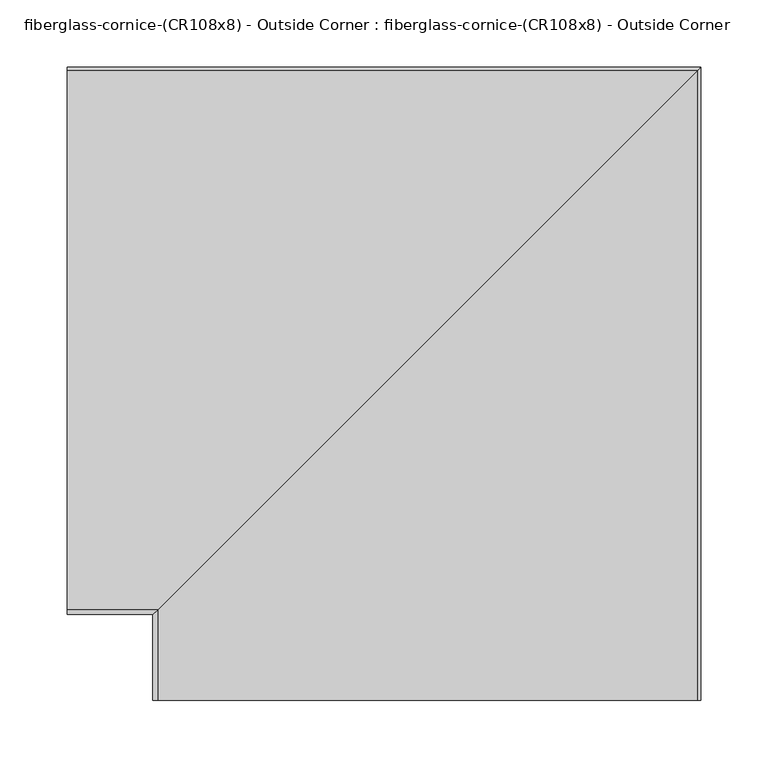
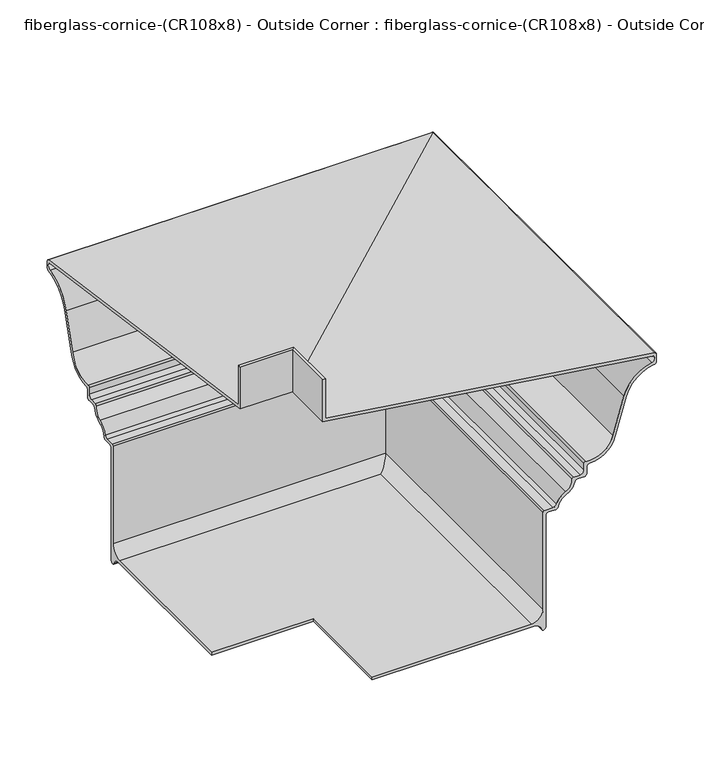
"""IFC4 building model written with IfcOpenShell, lengths in millimetres: furniture geometry, fiberglass-cornice-(CR108x8) - Outside Corner : fiberglass-cornice-(CR108x8) - Outside Corner."""

from ifc_helpers import new_model, si_unit, frame, origin, place, context, project, spatial, polyline, circle_curve, ellipse_curve, source, transform, mapped, element, save
from ifc_brep_helpers import plane_surface, cylinder_surface, revolved_surface, advanced_brep


def fiberglass_cornice_cr108x8_outside_corner_fiberglass_cornice_24d4b62f(model_context):
    return source(origin(), model_context, "Body", "AdvancedBrep", [
        advanced_brep(
        [(-196.9488213, 105.0923553, 330.0957121), (-196.9488213, 105.0923553, 279.4513144), (-196.9488213, 505.8077248, 223.1344666), (-196.9488213, 508.2228546, 220.0517369), (-196.9488213, 508.2228867, 211.6295733), (-196.9488213, 505.4875065, 208.4851622), (-196.9488213, 471.5845049, 179.5693198), (-196.9488213, 458.3935877, 133.7587686), (-196.9488213, 426.4767098, 108.8040813), (-196.9488213, 423.2795921, 105.5911434), (-196.9488213, 423.2795921, 97.284127), (-196.9488213, 420.1043645, 94.1091241), (-196.9488213, 411.7992574, 94.1091217), (-196.9488213, 408.6723568, 91.5065503), (-196.9488213, 398.7407101, 79.0597575), (-196.9488213, 388.5612513, 66.4029603), (-196.9488213, 385.4478907, 63.8505439), (-196.9488213, 376.5607546, 63.8505407), (-196.9488213, 373.3814446, 60.7132738), (-196.9488213, 373.3814446, -82.8819321), (-196.9488213, 370.6001006, -86.0324059), (-196.9488213, 367.9263679, -83.7006969), (-196.9488213, 358.6889184, -76.9291185), (-196.9488213, 161.8765083, -76.9291185), (-196.9488213, 161.8765083, -73.4366185), (-196.9488213, 355.9187204, -73.4366185), (-196.9488213, 369.8886124, -59.5215493), (-196.9488213, 369.8886124, 65.4380508), (-196.9488213, 371.7937204, 67.3430439), (-196.9488213, 381.8565071, 67.343045), (-196.9488213, 386.0299801, 70.2497063), (-196.9488213, 397.3521528, 82.2643918), (-196.9488213, 405.4178055, 95.5527593), (-196.9488213, 407.3173654, 97.6016241), (-196.9488213, 415.337725, 97.6016261), (-196.9488213, 419.7867599, 102.0161337), (-196.9488213, 419.7867599, 110.7988842), (-196.9488213, 421.9999188, 112.67881), (-196.9488213, 455.0157476, 134.6498182), (-196.9488213, 468.2379543, 180.5686863), (-196.9488213, 502.679357, 211.5566345), (-196.9488213, 502.3849709, 220.0886338), (-196.9488213, 101.6, 276.415322), (-196.9488213, 101.6, 330.1999904), (-129.8572472, 38.0007813, 330.0957121), (-133.3496026, 38.0007813, 330.1999904), (-133.3496026, 38.0007813, 276.415322), (267.4353683, 38.0007813, 220.0886338), (267.7297544, 38.0007813, 211.5566345), (233.2883517, 38.0007813, 180.5686863), (220.066145, 38.0007813, 134.6498182), (187.0503162, 38.0007813, 112.67881), (184.8372619, 38.0007813, 110.7988824), (184.8371574, 38.0007813, 102.0161337), (180.3881224, 38.0007813, 97.6016261), (172.3678657, 38.0007813, 97.6016261), (170.4682029, 38.0007813, 95.5527593), (162.4025502, 38.0007813, 82.2643918), (151.0803775, 38.0007813, 70.2497063), (146.9069045, 38.0007813, 67.343045), (136.8439742, 38.0007813, 67.343045), (134.9391178, 38.0007813, 65.4380439), (134.9390098, 38.0007813, -59.5215493), (120.9691178, 38.0007813, -73.4366185), (-73.0730943, 38.0007813, -73.4366185), (-73.0730943, 38.0007813, -76.9291185), (123.7393158, 38.0007813, -76.9291185), (132.9767653, 38.0007813, -83.7006969), (135.650498, 38.0007813, -86.0324059), (138.4316178, 38.0007813, -82.8819323), (138.431842, 38.0007813, 60.7132738), (141.611152, 38.0007813, 63.8505407), (150.4982062, 38.0007813, 63.8505407), (153.6116487, 38.0007813, 66.4029603), (163.7911075, 38.0007813, 79.0597575), (173.7227542, 38.0007813, 91.5065503), (176.8496548, 38.0007813, 94.1091217), (185.1547309, 38.0007813, 94.1091217), (188.3297619, 38.0007813, 97.2841241), (188.3299895, 38.0007813, 105.5911434), (191.5271072, 38.0007813, 108.8040813), (223.4439851, 38.0007813, 133.7587686), (236.6349023, 38.0007813, 179.5693198), (270.5379039, 38.0007813, 208.4851622), (273.273252, 38.0007813, 211.6295749), (273.2732841, 38.0007813, 220.0517394), (270.8581222, 38.0007813, 223.1344666), (-129.8572472, 38.0007813, 279.4513144), (-129.8572472, 105.0923553, 330.0957121), (-129.8572472, 105.0923553, 279.4513144), (270.8581222, 505.8077248, 223.1344666), (273.273252, 508.2228546, 220.0517369), (273.2732841, 508.2228867, 211.6295733), (270.5379039, 505.4875065, 208.4851622), (236.6349023, 471.5845049, 179.5693198), (223.4439851, 458.3935877, 133.7587686), (191.5271072, 426.4767098, 108.8040813), (188.3299895, 423.2795921, 105.5911434), (188.3299895, 423.2795921, 97.284127), (185.1547619, 420.1043645, 94.1091241), (176.8496548, 411.7992574, 94.1091217), (173.7227542, 408.6723568, 91.5065503), (163.7911075, 398.7407101, 79.0597575), (153.6116487, 388.5612513, 66.4029603), (150.4982881, 385.4478907, 63.8505439), (141.611152, 376.5607546, 63.8505407), (138.431842, 373.3814446, 60.7132738), (138.431842, 373.3814446, -82.8819321), (135.650498, 370.6001006, -86.0324059), (132.9767653, 367.9263679, -83.7006969), (123.7393158, 358.6889184, -76.9291185), (-73.0730943, 161.8765083, -76.9291185), (-73.0730943, 161.8765083, -73.4366185), (120.9691178, 355.9187204, -73.4366185), (134.9390098, 369.8886124, -59.5215493), (134.9390098, 369.8886124, 65.4380508), (136.8441178, 371.7937204, 67.3430439), (146.9069045, 381.8565071, 67.343045), (151.0803775, 386.0299801, 70.2497063), (162.4025502, 397.3521528, 82.2643918), (170.4682029, 405.4178055, 95.5527593), (172.3677628, 407.3173654, 97.6016241), (180.3881224, 415.337725, 97.6016261), (184.8371574, 419.7867599, 102.0161337), (184.8371574, 419.7867599, 110.7988842), (187.0503162, 421.9999188, 112.67881), (220.066145, 455.0157476, 134.6498182), (233.2883517, 468.2379543, 180.5686863), (267.7297544, 502.679357, 211.5566345), (267.4353683, 502.3849709, 220.0886338), (-133.3496026, 101.6, 276.415322), (-133.3496026, 101.6, 330.1999904)],
        [
            (0, 1),
            (1, 2),
            (2, 3, circle_curve(frame((-196.9488213, 505.0478546, 220.0517369), z_axis=(-1.0, 0.0, 0.0), x_axis=(0.0, 1.0, 0.0)), 3.175)),
            (3, 4),
            (4, 5, circle_curve(frame((-196.9488213, 505.0478546, 211.6295749), z_axis=(-1.0, 0.0, 0.0), x_axis=(0.0, 1.0, 0.0)), 3.175)),
            (5, 6, circle_curve(frame((-196.9488213, 511.2292262, 167.4200865), z_axis=(1.0, 0.0, 0.0), x_axis=(0.0, 1.0, 0.0)), 41.4645366)),
            (6, 7),
            (7, 8, circle_curve(frame((-196.9488213, 426.7061127, 141.3987567), z_axis=(-1.0, 0.0, 0.0), x_axis=(0.0, 1.0, 0.0)), 32.5954827)),
            (8, 9, circle_curve(frame((-196.9488213, 426.4543645, 105.6291599), z_axis=(1.0, 0.0, 0.0), x_axis=(0.0, 1.0, 0.0)), 3.175)),
            (9, 10),
            (10, 11, circle_curve(frame((-196.9488213, 420.1043645, 97.2841241), z_axis=(-1.0, 0.0, 0.0), x_axis=(0.0, 1.0, 0.0)), 3.175)),
            (11, 12),
            (12, 13, circle_curve(frame((-196.9488213, 411.7953286, 90.9341241), z_axis=(1.0, 0.0, 0.0), x_axis=(0.0, 1.0, 0.0)), 3.175)),
            (13, 14, circle_curve(frame((-196.9488213, 392.1002409, 94.5441417), z_axis=(-1.0, 0.0, 0.0), x_axis=(0.0, 1.0, 0.0)), 16.8482042)),
            (14, 15, circle_curve(frame((-196.9488213, 405.8075943, 62.9541819), z_axis=(1.0, 0.0, 0.0), x_axis=(0.0, 1.0, 0.0)), 17.5877917)),
            (15, 16, circle_curve(frame((-196.9488213, 385.4478907, 67.0255439), z_axis=(-1.0, 0.0, 0.0), x_axis=(0.0, 1.0, 0.0)), 3.175)),
            (16, 17),
            (17, 18, circle_curve(frame((-196.9488213, 376.5562204, 60.6755439), z_axis=(1.0, 0.0, 0.0), x_axis=(0.0, 1.0, 0.0)), 3.175)),
            (18, 19),
            (19, 20, circle_curve(frame((-196.9488213, 370.2062204, -82.8819323), z_axis=(-1.0, 0.0, 0.0), x_axis=(0.0, 1.0, 0.0)), 3.175)),
            (20, 21, circle_curve(frame((-196.9488213, 370.9939809, -82.8819323), z_axis=(-1.0, 0.0, 0.0), x_axis=(0.0, 1.0, 0.0)), 3.175)),
            (21, 22, circle_curve(frame((-196.9488213, 359.0984109, -86.0569323), z_axis=(1.0, 0.0, 0.0), x_axis=(0.0, 1.0, 0.0)), 9.1369946)),
            (22, 23),
            (23, 24),
            (24, 25),
            (25, 26, circle_curve(frame((-196.9488213, 355.9187204, -59.4666185), z_axis=(1.0, 0.0, 0.0), x_axis=(0.0, 1.0, 0.0)), 13.97)),
            (26, 27),
            (27, 28, circle_curve(frame((-196.9488213, 371.7937204, 65.4380439), z_axis=(-1.0, 0.0, 0.0), x_axis=(0.0, 1.0, 0.0)), 1.905)),
            (28, 29),
            (29, 30, circle_curve(frame((-196.9488213, 381.8596633, 71.7880439), z_axis=(1.0, 0.0, 0.0), x_axis=(0.0, 1.0, 0.0)), 4.445)),
            (30, 31, circle_curve(frame((-196.9488213, 405.8075943, 62.9541819), z_axis=(-1.0, 0.0, 0.0), x_axis=(0.0, 1.0, 0.0)), 21.0802917)),
            (31, 32, circle_curve(frame((-196.9488213, 392.1002409, 94.5441417), z_axis=(1.0, 0.0, 0.0), x_axis=(0.0, 1.0, 0.0)), 13.3557042)),
            (32, 33, circle_curve(frame((-196.9488213, 407.3173654, 95.6966241), z_axis=(-1.0, 0.0, 0.0), x_axis=(0.0, 1.0, 0.0)), 1.905)),
            (33, 34),
            (34, 35, circle_curve(frame((-196.9488213, 415.3418645, 102.0466241), z_axis=(1.0, 0.0, 0.0), x_axis=(0.0, 1.0, 0.0)), 4.445)),
            (35, 36),
            (36, 37, circle_curve(frame((-196.9488213, 421.6918645, 110.7988824), z_axis=(-1.0, 0.0, 0.0), x_axis=(0.0, 1.0, 0.0)), 1.905)),
            (37, 38, circle_curve(frame((-196.9488213, 426.7061127, 141.3987567), z_axis=(1.0, 0.0, 0.0), x_axis=(0.0, 1.0, 0.0)), 29.1029827)),
            (38, 39),
            (39, 40, circle_curve(frame((-196.9488213, 511.2292262, 167.4200865), z_axis=(-1.0, 0.0, 0.0), x_axis=(0.0, 1.0, 0.0)), 44.9570366)),
            (40, 41, circle_curve(frame((-196.9488213, 501.8196187, 215.7980486), z_axis=(1.0, 0.0, 0.0), x_axis=(0.0, 1.0, 0.0)), 4.3276719)),
            (41, 42),
            (42, 43),
            (43, 0),
            (44, 45),
            (45, 46),
            (46, 47),
            (47, 48, circle_curve(frame((266.8700161, 38.0007813, 215.7980486), z_axis=(0.0, 1.0, 0.0), x_axis=(1.0, 0.0, 0.0)), 4.3276719)),
            (48, 49, circle_curve(frame((276.2796236, 38.0007813, 167.4200865), z_axis=(0.0, -1.0, 0.0), x_axis=(1.0, 0.0, 0.0)), 44.9570366)),
            (49, 50),
            (50, 51, circle_curve(frame((191.7565101, 38.0007813, 141.3987567), z_axis=(0.0, 1.0, 0.0), x_axis=(1.0, 0.0, 0.0)), 29.1029827)),
            (51, 52, circle_curve(frame((186.7422619, 38.0007813, 110.7988824), z_axis=(0.0, -1.0, 0.0), x_axis=(1.0, 0.0, 0.0)), 1.905)),
            (52, 53),
            (53, 54, circle_curve(frame((180.3922619, 38.0007813, 102.0466241), z_axis=(0.0, 1.0, 0.0), x_axis=(1.0, 0.0, 0.0)), 4.445)),
            (54, 55),
            (55, 56, circle_curve(frame((172.3677628, 38.0007813, 95.6966241), z_axis=(0.0, -1.0, 0.0), x_axis=(1.0, 0.0, 0.0)), 1.905)),
            (56, 57, circle_curve(frame((157.1506383, 38.0007813, 94.5441417), z_axis=(0.0, 1.0, 0.0), x_axis=(1.0, 0.0, 0.0)), 13.3557042)),
            (57, 58, circle_curve(frame((170.8579917, 38.0007813, 62.9541819), z_axis=(0.0, -1.0, 0.0), x_axis=(1.0, 0.0, 0.0)), 21.0802917)),
            (58, 59, circle_curve(frame((146.9100607, 38.0007813, 71.7880439), z_axis=(0.0, 1.0, 0.0), x_axis=(1.0, 0.0, 0.0)), 4.445)),
            (59, 60),
            (60, 61, circle_curve(frame((136.8441178, 38.0007813, 65.4380439), z_axis=(0.0, -1.0, 0.0), x_axis=(1.0, 0.0, 0.0)), 1.905)),
            (61, 62),
            (62, 63, circle_curve(frame((120.9691178, 38.0007813, -59.4666185), z_axis=(0.0, 1.0, 0.0), x_axis=(1.0, 0.0, 0.0)), 13.97)),
            (63, 64),
            (64, 65),
            (65, 66),
            (66, 67, circle_curve(frame((124.1488083, 38.0007813, -86.0569323), z_axis=(0.0, 1.0, 0.0), x_axis=(1.0, 0.0, 0.0)), 9.1369946)),
            (67, 68, circle_curve(frame((136.0443783, 38.0007813, -82.8819323), z_axis=(0.0, -1.0, 0.0), x_axis=(1.0, 0.0, 0.0)), 3.175)),
            (68, 69, circle_curve(frame((135.2566178, 38.0007813, -82.8819323), z_axis=(0.0, -1.0, 0.0), x_axis=(1.0, 0.0, 0.0)), 3.175)),
            (69, 70),
            (70, 71, circle_curve(frame((141.6066178, 38.0007813, 60.6755439), z_axis=(0.0, 1.0, 0.0), x_axis=(1.0, 0.0, 0.0)), 3.175)),
            (71, 72),
            (72, 73, circle_curve(frame((150.4982881, 38.0007813, 67.0255439), z_axis=(0.0, -1.0, 0.0), x_axis=(1.0, 0.0, 0.0)), 3.175)),
            (73, 74, circle_curve(frame((170.8579917, 38.0007813, 62.9541819), z_axis=(0.0, 1.0, 0.0), x_axis=(1.0, 0.0, 0.0)), 17.5877917)),
            (74, 75, circle_curve(frame((157.1506383, 38.0007813, 94.5441417), z_axis=(0.0, -1.0, 0.0), x_axis=(1.0, 0.0, 0.0)), 16.8482042)),
            (75, 76, circle_curve(frame((176.845726, 38.0007813, 90.9341241), z_axis=(0.0, 1.0, 0.0), x_axis=(1.0, 0.0, 0.0)), 3.175)),
            (76, 77),
            (77, 78, circle_curve(frame((185.1547619, 38.0007813, 97.2841241), z_axis=(0.0, -1.0, 0.0), x_axis=(1.0, 0.0, 0.0)), 3.175)),
            (78, 79),
            (79, 80, circle_curve(frame((191.5047619, 38.0007813, 105.6291599), z_axis=(0.0, 1.0, 0.0), x_axis=(1.0, 0.0, 0.0)), 3.175)),
            (80, 81, circle_curve(frame((191.7565101, 38.0007813, 141.3987567), z_axis=(0.0, -1.0, 0.0), x_axis=(1.0, 0.0, 0.0)), 32.5954827)),
            (81, 82),
            (82, 83, circle_curve(frame((276.2796236, 38.0007813, 167.4200865), z_axis=(0.0, 1.0, 0.0), x_axis=(1.0, 0.0, 0.0)), 41.4645366)),
            (83, 84, circle_curve(frame((270.098252, 38.0007813, 211.6295749), z_axis=(0.0, -1.0, 0.0), x_axis=(1.0, 0.0, 0.0)), 3.175)),
            (84, 85),
            (85, 86, circle_curve(frame((270.098252, 38.0007813, 220.0517369), z_axis=(0.0, -1.0, 0.0), x_axis=(1.0, 0.0, 0.0)), 3.175)),
            (86, 87),
            (87, 44),
            (0, 88),
            (88, 89),
            (89, 1),
            (89, 90),
            (90, 2),
            (90, 91, ellipse_curve(frame((270.098252, 505.0478546, 220.0517369), z_axis=(-0.7071067811865563, 0.7071067811865387, 0.0), x_axis=(-0.7071067811865387, -0.7071067811865565, 0.0)), 4.4901281, 3.175)),
            (91, 3),
            (91, 92),
            (92, 4),
            (92, 93, ellipse_curve(frame((270.098252, 505.0478546, 211.6295749), z_axis=(-0.7071067811865563, 0.7071067811865387, 0.0), x_axis=(-0.7071067811865387, -0.7071067811865565, 0.0)), 4.4901281, 3.175)),
            (93, 5),
            (93, 94, ellipse_curve(frame((276.2796236, 511.2292262, 167.4200865), z_axis=(0.7071067811865563, -0.7071067811865387, 0.0), x_axis=(0.7071067811865387, 0.7071067811865565, 0.0)), 58.63971, 41.4645366)),
            (94, 6),
            (94, 95),
            (95, 7),
            (95, 96, ellipse_curve(frame((191.7565101, 426.7061127, 141.3987567), z_axis=(-0.7071067811865563, 0.7071067811865387, 0.0), x_axis=(-0.7071067811865387, -0.7071067811865565, 0.0)), 46.0969737, 32.5954827)),
            (96, 8),
            (96, 97, ellipse_curve(frame((191.5047619, 426.4543645, 105.6291599), z_axis=(0.7071067811865563, -0.7071067811865387, 0.0), x_axis=(0.7071067811865387, 0.7071067811865565, 0.0)), 4.4901281, 3.175)),
            (97, 9),
            (97, 98),
            (98, 10),
            (98, 99, ellipse_curve(frame((185.1547619, 420.1043645, 97.2841241), z_axis=(-0.7071067811865563, 0.7071067811865387, 0.0), x_axis=(-0.7071067811865387, -0.7071067811865565, 0.0)), 4.4901281, 3.175)),
            (99, 11),
            (99, 77),
            (76, 100),
            (100, 12),
            (100, 101, ellipse_curve(frame((176.845726, 411.7953286, 90.9341241), z_axis=(0.7071067811865563, -0.7071067811865387, 0.0), x_axis=(0.7071067811865387, 0.7071067811865565, 0.0)), 4.4901281, 3.175)),
            (101, 13),
            (101, 102, ellipse_curve(frame((157.1506383, 392.1002409, 94.5441417), z_axis=(-0.7071067811865563, 0.7071067811865387, 0.0), x_axis=(-0.7071067811865387, -0.7071067811865565, 0.0)), 23.8269589, 16.8482042)),
            (102, 14),
            (102, 103, ellipse_curve(frame((170.8579917, 405.8075943, 62.9541819), z_axis=(0.7071067811865563, -0.7071067811865387, 0.0), x_axis=(0.7071067811865387, 0.7071067811865565, 0.0)), 24.8728936, 17.5877917)),
            (103, 15),
            (103, 104, ellipse_curve(frame((150.4982881, 385.4478907, 67.0255439), z_axis=(-0.7071067811865563, 0.7071067811865387, 0.0), x_axis=(-0.7071067811865387, -0.7071067811865565, 0.0)), 4.4901281, 3.175)),
            (104, 16),
            (104, 72),
            (71, 105),
            (105, 17),
            (105, 106, ellipse_curve(frame((141.6066178, 376.5562204, 60.6755439), z_axis=(0.7071067811865563, -0.7071067811865387, 0.0), x_axis=(0.7071067811865387, 0.7071067811865565, 0.0)), 4.4901281, 3.175)),
            (106, 18),
            (106, 107),
            (107, 19),
            (107, 108, ellipse_curve(frame((135.2566178, 370.2062204, -82.8819323), z_axis=(-0.7071067811865563, 0.7071067811865387, 0.0), x_axis=(-0.7071067811865387, -0.7071067811865565, 0.0)), 4.4901281, 3.175)),
            (108, 20),
            (108, 109, ellipse_curve(frame((136.0443783, 370.9939809, -82.8819323), z_axis=(-0.7071067811865563, 0.7071067811865387, 0.0), x_axis=(-0.7071067811865387, -0.7071067811865565, 0.0)), 4.4901281, 3.175)),
            (109, 21),
            (109, 110, ellipse_curve(frame((124.1488083, 359.0984109, -86.0569323), z_axis=(0.7071067811865563, -0.7071067811865387, 0.0), x_axis=(0.7071067811865387, 0.7071067811865565, 0.0)), 12.9216617, 9.1369946)),
            (110, 22),
            (110, 66),
            (65, 111),
            (111, 23),
            (111, 112),
            (112, 24),
            (112, 64),
            (63, 113),
            (113, 25),
            (113, 114, ellipse_curve(frame((120.9691178, 355.9187204, -59.4666185), z_axis=(0.7071067811865563, -0.7071067811865387, 0.0), x_axis=(0.7071067811865387, 0.7071067811865565, 0.0)), 19.7565635, 13.97)),
            (114, 26),
            (114, 115),
            (115, 27),
            (115, 116, ellipse_curve(frame((136.8441178, 371.7937204, 65.4380439), z_axis=(-0.7071067811865563, 0.7071067811865387, 0.0), x_axis=(-0.7071067811865387, -0.7071067811865565, 0.0)), 2.6940768, 1.905)),
            (116, 28),
            (116, 60),
            (59, 117),
            (117, 29),
            (117, 118, ellipse_curve(frame((146.9100607, 381.8596633, 71.7880439), z_axis=(0.7071067811865563, -0.7071067811865387, 0.0), x_axis=(0.7071067811865387, 0.7071067811865565, 0.0)), 6.2861793, 4.445)),
            (118, 30),
            (118, 119, ellipse_curve(frame((170.8579917, 405.8075943, 62.9541819), z_axis=(-0.7071067811865563, 0.7071067811865387, 0.0), x_axis=(-0.7071067811865387, -0.7071067811865565, 0.0)), 29.8120345, 21.0802917)),
            (119, 31),
            (119, 120, ellipse_curve(frame((157.1506383, 392.1002409, 94.5441417), z_axis=(0.7071067811865563, -0.7071067811865387, 0.0), x_axis=(0.7071067811865387, 0.7071067811865565, 0.0)), 18.887818, 13.3557042)),
            (120, 32),
            (120, 121, ellipse_curve(frame((172.3677628, 407.3173654, 95.6966241), z_axis=(-0.7071067811865563, 0.7071067811865387, 0.0), x_axis=(-0.7071067811865387, -0.7071067811865565, 0.0)), 2.6940768, 1.905)),
            (121, 33),
            (121, 55),
            (54, 122),
            (122, 34),
            (122, 123, ellipse_curve(frame((180.3922619, 415.3418645, 102.0466241), z_axis=(0.7071067811865563, -0.7071067811865387, 0.0), x_axis=(0.7071067811865387, 0.7071067811865565, 0.0)), 6.2861793, 4.445)),
            (123, 35),
            (123, 124),
            (124, 36),
            (124, 125, ellipse_curve(frame((186.7422619, 421.6918645, 110.7988824), z_axis=(-0.7071067811865563, 0.7071067811865387, 0.0), x_axis=(-0.7071067811865387, -0.7071067811865565, 0.0)), 2.6940768, 1.905)),
            (125, 37),
            (125, 126, ellipse_curve(frame((191.7565101, 426.7061127, 141.3987567), z_axis=(0.7071067811865563, -0.7071067811865387, 0.0), x_axis=(0.7071067811865387, 0.7071067811865565, 0.0)), 41.1578328, 29.1029827)),
            (126, 38),
            (126, 127),
            (127, 39),
            (127, 128, ellipse_curve(frame((276.2796236, 511.2292262, 167.4200865), z_axis=(-0.7071067811865563, 0.7071067811865387, 0.0), x_axis=(-0.7071067811865387, -0.7071067811865565, 0.0)), 63.5788508, 44.9570366)),
            (128, 40),
            (128, 129, ellipse_curve(frame((266.8700161, 501.8196187, 215.7980486), z_axis=(0.7071067811865563, -0.7071067811865387, 0.0), x_axis=(0.7071067811865387, 0.7071067811865565, 0.0)), 6.1202523, 4.3276719)),
            (129, 41),
            (129, 130),
            (130, 42),
            (130, 131),
            (131, 43),
            (131, 88),
            (88, 44),
            (87, 89),
            (86, 90),
            (85, 91),
            (84, 92),
            (83, 93),
            (82, 94),
            (81, 95),
            (80, 96),
            (79, 97),
            (78, 98),
            (75, 101),
            (74, 102),
            (73, 103),
            (70, 106),
            (69, 107),
            (68, 108),
            (67, 109),
            (62, 114),
            (61, 115),
            (58, 118),
            (57, 119),
            (56, 120),
            (53, 123),
            (52, 124),
            (51, 125),
            (50, 126),
            (49, 127),
            (48, 128),
            (47, 129),
            (46, 130),
            (45, 131),
        ],
        [
            plane_surface(frame((-196.9488213, 101.6, 330.1999904), z_axis=(-1.0, 0.0, 0.0), x_axis=(0.0, 0.0, 1.0))),
            plane_surface(frame((-133.3496026, 38.0007813, 330.1999904), z_axis=(0.0, -1.0, 0.0), x_axis=(0.0, 0.0, 1.0))),
            plane_surface(frame((-196.9488213, 105.0923553, 330.0957121), z_axis=(0.0, 1.0, 0.0), x_axis=(1.0, 0.0, 0.0))),
            plane_surface(frame((-196.9488213, 105.0923553, 279.4513144), z_axis=(0.0, 0.13917304094940408, 0.9902680771755169), x_axis=(1.0, 0.0, 0.0))),
            cylinder_surface(frame((-196.9488213, 505.0478546, 220.0517369), z_axis=(-1.0, 0.0, 0.0), x_axis=(0.0, 1.0, 0.0)), 3.175),
            plane_surface(frame((-196.9488213, 508.2228867, 220.0517394), z_axis=(0.0, 1.0, 0.0), x_axis=(1.0, 0.0, 0.0))),
            cylinder_surface(frame((-196.9488213, 505.0478546, 211.6295749), z_axis=(-1.0, 0.0, 0.0), x_axis=(0.0, 1.0, 0.0)), 3.175),
            revolved_surface(polyline([(317.7441601878121, 552.6937628000001, 167.4200865), (-196.9488213, 552.6937628000001, 167.4200865)]), (-196.9488213, 511.2292262, 167.4200865), (1.0, 0.0, 0.0)),
            plane_surface(frame((-196.9488213, 471.5845049, 179.5693198), z_axis=(0.0, 0.960955677207526, -0.2767023426764312), x_axis=(1.0, 0.0, 0.0))),
            cylinder_surface(frame((-196.9488213, 426.7061127, 141.3987567), z_axis=(-1.0, 0.0, 0.0), x_axis=(0.0, 1.0, 0.0)), 32.5954827),
            revolved_surface(polyline([(194.67976192790624, 429.6293645, 105.6291599), (-196.9488213, 429.6293645, 105.6291599)]), (-196.9488213, 426.4543645, 105.6291599), (1.0, 0.0, 0.0)),
            plane_surface(frame((-196.9488213, 423.2795921, 105.5911434), z_axis=(0.0, 1.0, 0.0), x_axis=(1.0, 0.0, 0.0))),
            cylinder_surface(frame((-196.9488213, 420.1043645, 97.2841241), z_axis=(-1.0, 0.0, 0.0), x_axis=(0.0, 1.0, 0.0)), 3.175),
            plane_surface(frame((-196.9488213, 420.1043335, 94.1091217), z_axis=(0.0, 0.0, -1.0), x_axis=(1.0, 0.0, 0.0))),
            revolved_surface(polyline([(180.0207260279062, 414.9703286, 90.9341241), (-196.9488213, 414.9703286, 90.9341241)]), (-196.9488213, 411.7953286, 90.9341241), (1.0, 0.0, 0.0)),
            cylinder_surface(frame((-196.9488213, 392.1002409, 94.5441417), z_axis=(-1.0, 0.0, 0.0), x_axis=(0.0, 1.0, 0.0)), 16.8482042),
            revolved_surface(polyline([(188.44578343229128, 423.39538600000003, 62.9541819), (-196.9488213, 423.39538600000003, 62.9541819)]), (-196.9488213, 405.8075943, 62.9541819), (1.0, 0.0, 0.0)),
            cylinder_surface(frame((-196.9488213, 385.4478907, 67.0255439), z_axis=(-1.0, 0.0, 0.0), x_axis=(0.0, 1.0, 0.0)), 3.175),
            plane_surface(frame((-196.9488213, 385.4478088, 63.8505407), z_axis=(0.0, 0.0, -1.0), x_axis=(1.0, 0.0, 0.0))),
            revolved_surface(polyline([(144.78161782790622, 379.7312204, 60.6755439), (-196.9488213, 379.7312204, 60.6755439)]), (-196.9488213, 376.5562204, 60.6755439), (1.0, 0.0, 0.0)),
            plane_surface(frame((-196.9488213, 373.3814446, 60.7132738), z_axis=(0.0, 1.0, 0.0), x_axis=(1.0, 0.0, 0.0))),
            cylinder_surface(frame((-196.9488213, 370.2062204, -82.8819323), z_axis=(-1.0, 0.0, 0.0), x_axis=(0.0, 1.0, 0.0)), 3.175),
            cylinder_surface(frame((-196.9488213, 370.9939809, -82.8819323), z_axis=(-1.0, 0.0, 0.0), x_axis=(0.0, 1.0, 0.0)), 3.175),
            revolved_surface(polyline([(133.2858029122684, 368.23540549999996, -86.0569323), (-196.9488213, 368.23540549999996, -86.0569323)]), (-196.9488213, 359.0984109, -86.0569323), (1.0, 0.0, 0.0)),
            plane_surface(frame((-196.9488213, 358.6889184, -76.9291185), z_axis=(0.0, 0.0, -1.0), x_axis=(1.0, 0.0, 0.0))),
            plane_surface(frame((-196.9488213, 161.8765083, -76.9291185), z_axis=(0.0, -1.0, 0.0), x_axis=(1.0, 0.0, 0.0))),
            plane_surface(frame((-196.9488213, 161.8765083, -73.4366185), z_axis=(0.0, 0.0, 1.0), x_axis=(1.0, 0.0, 0.0))),
            revolved_surface(polyline([(134.9391178237925, 369.8887204, -59.4666185), (-196.9488213, 369.8887204, -59.4666185)]), (-196.9488213, 355.9187204, -59.4666185), (1.0, 0.0, 0.0)),
            plane_surface(frame((-196.9488213, 369.8886124, -59.5215493), z_axis=(0.0, -1.0, 0.0), x_axis=(1.0, 0.0, 0.0))),
            cylinder_surface(frame((-196.9488213, 371.7937204, 65.4380439), z_axis=(-1.0, 0.0, 0.0), x_axis=(0.0, 1.0, 0.0)), 1.905),
            plane_surface(frame((-196.9488213, 371.7935768, 67.343045), z_axis=(0.0, 0.0, 1.0), x_axis=(1.0, 0.0, 0.0))),
            revolved_surface(polyline([(151.35506071078444, 386.3046633, 71.7880439), (-196.9488213, 386.3046633, 71.7880439)]), (-196.9488213, 381.8596633, 71.7880439), (1.0, 0.0, 0.0)),
            cylinder_surface(frame((-196.9488213, 405.8075943, 62.9541819), z_axis=(-1.0, 0.0, 0.0), x_axis=(0.0, 1.0, 0.0)), 21.0802917),
            revolved_surface(polyline([(170.50634248961714, 405.4559451, 94.5441417), (-196.9488213, 405.4559451, 94.5441417)]), (-196.9488213, 392.1002409, 94.5441417), (1.0, 0.0, 0.0)),
            cylinder_surface(frame((-196.9488213, 407.3173654, 95.6966241), z_axis=(-1.0, 0.0, 0.0), x_axis=(0.0, 1.0, 0.0)), 1.905),
            plane_surface(frame((-196.9488213, 407.3174683, 97.6016261), z_axis=(0.0, 0.0, 1.0), x_axis=(1.0, 0.0, 0.0))),
            revolved_surface(polyline([(184.8372619107844, 419.7868645, 102.0466241), (-196.9488213, 419.7868645, 102.0466241)]), (-196.9488213, 415.3418645, 102.0466241), (1.0, 0.0, 0.0)),
            plane_surface(frame((-196.9488213, 419.7867599, 102.0161337), z_axis=(0.0, -1.0, 0.0), x_axis=(1.0, 0.0, 0.0))),
            cylinder_surface(frame((-196.9488213, 421.6918645, 110.7988824), z_axis=(-1.0, 0.0, 0.0), x_axis=(0.0, 1.0, 0.0)), 1.905),
            revolved_surface(polyline([(220.85949277182172, 455.8090954, 141.3987567), (-196.9488213, 455.8090954, 141.3987567)]), (-196.9488213, 426.7061127, 141.3987567), (1.0, 0.0, 0.0)),
            plane_surface(frame((-196.9488213, 455.0157476, 134.6498182), z_axis=(0.0, -0.960955120051551, 0.2767042776082603), x_axis=(1.0, 0.0, 0.0))),
            cylinder_surface(frame((-196.9488213, 511.2292262, 167.4200865), z_axis=(-1.0, 0.0, 0.0), x_axis=(0.0, 1.0, 0.0)), 44.9570366),
            revolved_surface(polyline([(271.1976880039025, 506.14729059999996, 215.7980486), (-196.9488213, 506.14729059999996, 215.7980486)]), (-196.9488213, 501.8196187, 215.7980486), (1.0, 0.0, 0.0)),
            plane_surface(frame((-196.9488213, 502.3849709, 220.0886338), z_axis=(0.0, -0.13917318298142237, -0.9902680572142168), x_axis=(1.0, 0.0, 0.0))),
            plane_surface(frame((-196.9488213, 101.6, 276.415322), z_axis=(0.0, -1.0, 0.0), x_axis=(1.0, 0.0, 0.0))),
            plane_surface(frame((-196.9488213, 101.6, 330.1999904), z_axis=(0.0, 0.02984572344004767, 0.9995545171686936), x_axis=(1.0, 0.0, 0.0))),
            plane_surface(frame((-129.8572472, 105.0923553, 330.0957121), z_axis=(1.0, 0.0, 0.0), x_axis=(0.0, -1.0, 0.0))),
            plane_surface(frame((-129.8572472, 105.0923553, 279.4513144), z_axis=(0.1391730409494041, 0.0, 0.9902680771755169), x_axis=(0.0, -1.0, 0.0))),
            cylinder_surface(frame((270.098252, 101.6, 220.0517369), z_axis=(0.0, 1.0, 0.0), x_axis=(1.0, 0.0, 0.0)), 3.175),
            plane_surface(frame((273.2732841, 508.2228867, 220.0517394), z_axis=(1.0, 0.0, 0.0), x_axis=(0.0, -1.0, 0.0))),
            cylinder_surface(frame((270.098252, 101.6, 211.6295749), z_axis=(0.0, 1.0, 0.0), x_axis=(1.0, 0.0, 0.0)), 3.175),
            revolved_surface(polyline([(317.7441602, 38.0007813, 167.4200865), (317.7441602, 552.6937627878132, 167.4200865)]), (276.2796236, 101.6, 167.4200865), (0.0, -1.0, 0.0)),
            plane_surface(frame((236.6349023, 471.5845049, 179.5693198), z_axis=(0.9609556772075261, 0.0, -0.2767023426764312), x_axis=(0.0, -1.0, 0.0))),
            cylinder_surface(frame((191.7565101, 101.6, 141.3987567), z_axis=(0.0, 1.0, 0.0), x_axis=(1.0, 0.0, 0.0)), 32.5954827),
            revolved_surface(polyline([(194.67976190000002, 38.0007813, 105.6291599), (194.67976190000002, 429.6293645279063, 105.6291599)]), (191.5047619, 101.6, 105.6291599), (0.0, -1.0, 0.0)),
            plane_surface(frame((188.3299895, 423.2795921, 105.5911434), z_axis=(1.0, 0.0, 0.0), x_axis=(0.0, -1.0, 0.0))),
            cylinder_surface(frame((185.1547619, 101.6, 97.2841241), z_axis=(0.0, 1.0, 0.0), x_axis=(1.0, 0.0, 0.0)), 3.175),
            revolved_surface(polyline([(180.02072600000002, 38.0007813, 90.9341241), (180.02072600000002, 414.9703286279064, 90.9341241)]), (176.845726, 101.6, 90.9341241), (0.0, -1.0, 0.0)),
            cylinder_surface(frame((157.1506383, 101.6, 94.5441417), z_axis=(0.0, 1.0, 0.0), x_axis=(1.0, 0.0, 0.0)), 16.8482042),
            revolved_surface(polyline([(188.4457834, 38.0007813, 62.9541819), (188.4457834, 423.39538603229164, 62.9541819)]), (170.8579917, 101.6, 62.9541819), (0.0, -1.0, 0.0)),
            cylinder_surface(frame((150.4982881, 101.6, 67.0255439), z_axis=(0.0, 1.0, 0.0), x_axis=(1.0, 0.0, 0.0)), 3.175),
            revolved_surface(polyline([(144.78161780000002, 38.0007813, 60.6755439), (144.78161780000002, 379.73122042790635, 60.6755439)]), (141.6066178, 101.6, 60.6755439), (0.0, -1.0, 0.0)),
            plane_surface(frame((138.431842, 373.3814446, 60.7132738), z_axis=(1.0, 0.0, 0.0), x_axis=(0.0, -1.0, 0.0))),
            cylinder_surface(frame((135.2566178, 101.6, -82.8819323), z_axis=(0.0, 1.0, 0.0), x_axis=(1.0, 0.0, 0.0)), 3.175),
            cylinder_surface(frame((136.0443783, 101.6, -82.8819323), z_axis=(0.0, 1.0, 0.0), x_axis=(1.0, 0.0, 0.0)), 3.175),
            revolved_surface(polyline([(133.2858029, 38.0007813, -86.0569323), (133.2858029, 368.2354055122686, -86.0569323)]), (124.1488083, 101.6, -86.0569323), (0.0, -1.0, 0.0)),
            plane_surface(frame((-73.0730943, 161.8765083, -76.9291185), z_axis=(-1.0, 0.0, 0.0), x_axis=(0.0, -1.0, 0.0))),
            revolved_surface(polyline([(134.93911780000002, 38.0007813, -59.4666185), (134.93911780000002, 369.88872042379285, -59.4666185)]), (120.9691178, 101.6, -59.4666185), (0.0, -1.0, 0.0)),
            plane_surface(frame((134.9390098, 369.8886124, -59.5215493), z_axis=(-1.0, 0.0, 0.0), x_axis=(0.0, -1.0, 0.0))),
            cylinder_surface(frame((136.8441178, 101.6, 65.4380439), z_axis=(0.0, 1.0, 0.0), x_axis=(1.0, 0.0, 0.0)), 1.905),
            revolved_surface(polyline([(151.3550607, 38.0007813, 71.7880439), (151.3550607, 386.3046633107846, 71.7880439)]), (146.9100607, 101.6, 71.7880439), (0.0, -1.0, 0.0)),
            cylinder_surface(frame((170.8579917, 101.6, 62.9541819), z_axis=(0.0, 1.0, 0.0), x_axis=(1.0, 0.0, 0.0)), 21.0802917),
            revolved_surface(polyline([(170.5063425, 38.0007813, 94.5441417), (170.5063425, 405.45594508961744, 94.5441417)]), (157.1506383, 101.6, 94.5441417), (0.0, -1.0, 0.0)),
            cylinder_surface(frame((172.3677628, 101.6, 95.6966241), z_axis=(0.0, 1.0, 0.0), x_axis=(1.0, 0.0, 0.0)), 1.905),
            revolved_surface(polyline([(184.8372619, 38.0007813, 102.0466241), (184.8372619, 419.78686451078454, 102.0466241)]), (180.3922619, 101.6, 102.0466241), (0.0, -1.0, 0.0)),
            plane_surface(frame((184.8371574, 419.7867599, 102.0161337), z_axis=(-1.0, 0.0, 0.0), x_axis=(0.0, -1.0, 0.0))),
            cylinder_surface(frame((186.7422619, 101.6, 110.7988824), z_axis=(0.0, 1.0, 0.0), x_axis=(1.0, 0.0, 0.0)), 1.905),
            revolved_surface(polyline([(220.8594928, 38.0007813, 141.3987567), (220.8594928, 455.80909537182254, 141.3987567)]), (191.7565101, 101.6, 141.3987567), (0.0, -1.0, 0.0)),
            plane_surface(frame((220.066145, 455.0157476, 134.6498182), z_axis=(-0.960955120051551, 0.0, 0.2767042776082602), x_axis=(0.0, -1.0, 0.0))),
            cylinder_surface(frame((276.2796236, 101.6, 167.4200865), z_axis=(0.0, 1.0, 0.0), x_axis=(1.0, 0.0, 0.0)), 44.9570366),
            revolved_surface(polyline([(271.19768799999997, 38.0007813, 215.7980486), (271.19768799999997, 506.14729060390255, 215.7980486)]), (266.8700161, 101.6, 215.7980486), (0.0, -1.0, 0.0)),
            plane_surface(frame((267.4353683, 502.3849709, 220.0886338), z_axis=(-0.1391731829814224, 0.0, -0.9902680572142168), x_axis=(0.0, -1.0, 0.0))),
            plane_surface(frame((-133.3496026, 101.6, 276.415322), z_axis=(-1.0, 0.0, 0.0), x_axis=(0.0, -1.0, 0.0))),
            plane_surface(frame((-133.3496026, 101.6, 330.1999904), z_axis=(0.029845723440047673, 0.0, 0.9995545171686936), x_axis=(0.0, -1.0, 0.0))),
        ],
        [
            (0, [[1, 2, 3, 4, 5, 6, 7, 8, 9, 10, 11, 12, 13, 14, 15, 16, 17, 18, 19, 20, 21, 22, 23, 24, 25, 26, 27, 28, 29, 30, 31, 32, 33, 34, 35, 36, 37, 38, 39, 40, 41, 42, 43, 44]]),
            (1, [[45, 46, 47, 48, 49, 50, 51, 52, 53, 54, 55, 56, 57, 58, 59, 60, 61, 62, 63, 64, 65, 66, 67, 68, 69, 70, 71, 72, 73, 74, 75, 76, 77, 78, 79, 80, 81, 82, 83, 84, 85, 86, 87, 88]]),
            (2, [[-1, 89, 90, 91]]),
            (3, [[-2, -91, 92, 93]]),
            (4, [[-3, -93, 94, 95]]),
            (5, [[-4, -95, 96, 97]]),
            (6, [[-5, -97, 98, 99]]),
            (7, [[-6, -99, 100, 101]]),
            (8, [[-7, -101, 102, 103]]),
            (9, [[-8, -103, 104, 105]]),
            (10, [[-9, -105, 106, 107]]),
            (11, [[-10, -107, 108, 109]]),
            (12, [[-11, -109, 110, 111]]),
            (13, [[-12, -111, 112, -77, 113, 114]]),
            (14, [[-13, -114, 115, 116]]),
            (15, [[-14, -116, 117, 118]]),
            (16, [[-15, -118, 119, 120]]),
            (17, [[-16, -120, 121, 122]]),
            (18, [[-17, -122, 123, -72, 124, 125]]),
            (19, [[-18, -125, 126, 127]]),
            (20, [[-19, -127, 128, 129]]),
            (21, [[-20, -129, 130, 131]]),
            (22, [[-21, -131, 132, 133]]),
            (23, [[-22, -133, 134, 135]]),
            (24, [[-23, -135, 136, -66, 137, 138]]),
            (25, [[-24, -138, 139, 140]]),
            (26, [[-25, -140, 141, -64, 142, 143]]),
            (27, [[-26, -143, 144, 145]]),
            (28, [[-27, -145, 146, 147]]),
            (29, [[-28, -147, 148, 149]]),
            (30, [[-29, -149, 150, -60, 151, 152]]),
            (31, [[-30, -152, 153, 154]]),
            (32, [[-31, -154, 155, 156]]),
            (33, [[-32, -156, 157, 158]]),
            (34, [[-33, -158, 159, 160]]),
            (35, [[-34, -160, 161, -55, 162, 163]]),
            (36, [[-35, -163, 164, 165]]),
            (37, [[-36, -165, 166, 167]]),
            (38, [[-37, -167, 168, 169]]),
            (39, [[-38, -169, 170, 171]]),
            (40, [[-39, -171, 172, 173]]),
            (41, [[-40, -173, 174, 175]]),
            (42, [[-41, -175, 176, 177]]),
            (43, [[-42, -177, 178, 179]]),
            (44, [[-43, -179, 180, 181]]),
            (45, [[-44, -181, 182, -89]]),
            (46, [[-90, 183, -88, 184]]),
            (47, [[-92, -184, -87, 185]]),
            (48, [[-94, -185, -86, 186]]),
            (49, [[-96, -186, -85, 187]]),
            (50, [[-98, -187, -84, 188]]),
            (51, [[-100, -188, -83, 189]]),
            (52, [[-102, -189, -82, 190]]),
            (53, [[-104, -190, -81, 191]]),
            (54, [[-106, -191, -80, 192]]),
            (55, [[-108, -192, -79, 193]]),
            (56, [[-110, -193, -78, -112]]),
            (57, [[-115, -113, -76, 194]]),
            (58, [[-117, -194, -75, 195]]),
            (59, [[-119, -195, -74, 196]]),
            (60, [[-121, -196, -73, -123]]),
            (61, [[-126, -124, -71, 197]]),
            (62, [[-128, -197, -70, 198]]),
            (63, [[-130, -198, -69, 199]]),
            (64, [[-132, -199, -68, 200]]),
            (65, [[-134, -200, -67, -136]]),
            (66, [[-139, -137, -65, -141]]),
            (67, [[-144, -142, -63, 201]]),
            (68, [[-146, -201, -62, 202]]),
            (69, [[-148, -202, -61, -150]]),
            (70, [[-153, -151, -59, 203]]),
            (71, [[-155, -203, -58, 204]]),
            (72, [[-157, -204, -57, 205]]),
            (73, [[-159, -205, -56, -161]]),
            (74, [[-164, -162, -54, 206]]),
            (75, [[-166, -206, -53, 207]]),
            (76, [[-168, -207, -52, 208]]),
            (77, [[-170, -208, -51, 209]]),
            (78, [[-172, -209, -50, 210]]),
            (79, [[-174, -210, -49, 211]]),
            (80, [[-176, -211, -48, 212]]),
            (81, [[-178, -212, -47, 213]]),
            (82, [[-180, -213, -46, 214]]),
            (83, [[-182, -214, -45, -183]]),
        ],
    ),
    ])


if __name__ == "__main__":
    model = new_model("IFC4")
    model_context = context("Model", 3, world=origin())
    ifc_project = project(units=[si_unit("LENGTHUNIT", "METRE", prefix="MILLI")], contexts=[model_context])
    site = spatial("IfcSite", under=ifc_project)
    building = spatial("IfcBuilding", under=site)
    placement = place(None, origin())
    fiberglass_cornice_cr108x8_outside_corner_fiberglass_cornice_shape = fiberglass_cornice_cr108x8_outside_corner_fiberglass_cornice_24d4b62f(model_context)
    element("IfcFurniture", 1, ObjectType="fiberglass-cornice-(CR108x8) - Outside Corner : fiberglass-cornice-(CR108x8) - Outside Corner", at=placement, inside=building, context=model_context, shape_type="MappedRepresentation", body=[
        mapped(fiberglass_cornice_cr108x8_outside_corner_fiberglass_cornice_shape, transform((0.0, 0.0, 0.0), x_axis=(1.0, 0.0, 0.0), y_axis=(0.0, 1.0, 0.0), z_axis=(0.0, 0.0, 1.0))),
    ])
    save(model, "model.ifc")
